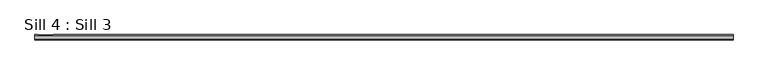
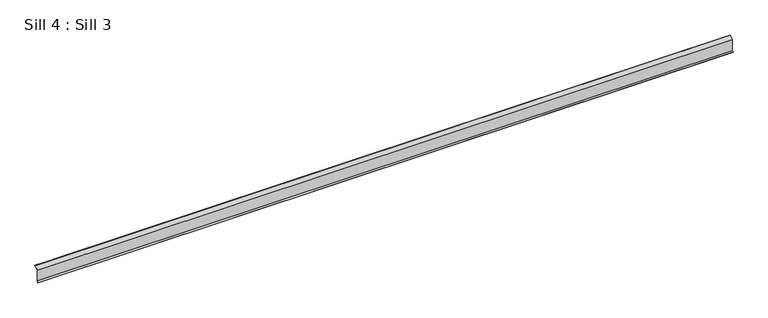
"""IFC4 building model written with IfcOpenShell, lengths in millimetres: proxy geometry, Sill 4 : Sill 3."""

import ifcopenshell
import ifcopenshell.guid

model = None  # the IFC model being written
_history = None  # IfcOwnerHistory: only IFC2X3 demands one
_inside = {}  # id of a spatial element -> (the spatial element, [elements in it])
_under = {}  # id of a project, library or spatial element -> (it, [spatial elements below it])
_declared = {}  # id of a project -> (the project, [libraries it declares])
_typed = {}  # id of a type object -> (the type object, [elements of that type])
_made_of = {}  # id of a material, layer set ... -> (it, [elements and type objects made of it])


def new_model(schema):
    """Start an empty IFC model of exactly this schema.

    Asked for "IFC4X3", IfcOpenShell would pick the latest addendum, in which some entities
    have other attributes; the version numbers below select the first issue.
    IFC2X3 requires an IfcOwnerHistory on every rooted entity: one is made here for all.
    """
    global model, _history
    if schema == "IFC4X3":
        model = ifcopenshell.file(schema_version=(4, 3, 0, 0))
    else:
        model = ifcopenshell.file(schema=schema)
    _inside.clear()
    _under.clear()
    _declared.clear()
    _typed.clear()
    _made_of.clear()
    _history = None
    if model.schema == "IFC2X3":
        org = make("IfcOrganization", Name="unknown")
        user = make(
            "IfcPersonAndOrganization",
            ThePerson=make("IfcPerson", FamilyName="unknown"),
            TheOrganization=org,
        )
        app = make(
            "IfcApplication",
            ApplicationDeveloper=org,
            Version="unknown",
            ApplicationFullName="unknown",
            ApplicationIdentifier="unknown",
        )
        _history = make(
            "IfcOwnerHistory",
            OwningUser=user,
            OwningApplication=app,
            ChangeAction="ADDED",
            CreationDate=0,
        )
    return model


def make(cls, **values):
    """One entity of the class cls with the attributes given. An attribute that is None is left unset."""
    return model.create_entity(
        cls, **{name: value for name, value in values.items() if value is not None}
    )


def rooted(cls, **values):
    """An entity with a GlobalId (a new one), such as an element, a storey or a relation."""
    return make(cls, GlobalId=ifcopenshell.guid.new(), OwnerHistory=_history, **values)


def si_unit(unit_type, name, prefix=None):
    """IfcSIUnit, for example si_unit("LENGTHUNIT", "METRE", prefix="MILLI")."""
    return make("IfcSIUnit", UnitType=unit_type, Prefix=prefix, Name=name)


def assignment(units):
    """IfcUnitAssignment: the units of a project."""
    return None if units is None else make("IfcUnitAssignment", Units=units)


def point(xyz):
    """IfcCartesianPoint."""
    return None if xyz is None else make("IfcCartesianPoint", Coordinates=xyz)


def direction(xyz):
    """IfcDirection."""
    return None if xyz is None else make("IfcDirection", DirectionRatios=xyz)


def frame(location, z_axis=None, x_axis=None):
    """IfcAxis2Placement3D, a coordinate frame: its origin and axes. An axis left out is left unset."""
    return make(
        "IfcAxis2Placement3D",
        Location=point(location),
        Axis=direction(z_axis),
        RefDirection=direction(x_axis),
    )


def origin():
    """The frame at (0, 0, 0) with its axes left unset."""
    return frame((0.0, 0.0, 0.0))


def place(relative_to, where):
    """IfcLocalPlacement: puts the frame where relative to a parent placement (None: the world)."""
    return make(
        "IfcLocalPlacement", PlacementRelTo=relative_to, RelativePlacement=where
    )


def context(
    kind, dimensions, precision=None, world=None, true_north=None, identifier=None
):
    """IfcGeometricRepresentationContext, for example the 3D "Model" context."""
    return make(
        "IfcGeometricRepresentationContext",
        ContextIdentifier=identifier,
        ContextType=kind,
        CoordinateSpaceDimension=dimensions,
        Precision=precision,
        WorldCoordinateSystem=world,
        TrueNorth=true_north,
    )


def project(units=None, contexts=None):
    """IfcProject with its units and contexts."""
    return rooted(
        "IfcProject",
        Name="project",
        RepresentationContexts=contexts,
        UnitsInContext=assignment(units),
    )


def spatial(cls, under=None, at=None, **own):
    """A site, building, storey or space (cls), placed at a placement, below another one or the project."""
    s = rooted(cls, ObjectPlacement=at, **own)
    if under is not None:
        _under.setdefault(under.id(), (under, []))[1].append(s)
    return s


def faces_of(points, faces, orient=None, outer=None):
    """IfcFace entities. A face is a list of loops; a loop is a list of indices into points, from 0.

    orient and outer hold one flag for each loop. By default every Orientation is true, the
    first loop of a face is its IfcFaceOuterBound and the others are IfcFaceBound.
    """
    made = []
    for i, loops in enumerate(faces):
        bounds = []
        for j, loop in enumerate(loops):
            is_outer = j == 0 if outer is None else outer[i][j]
            bounds.append(
                make(
                    "IfcFaceOuterBound" if is_outer else "IfcFaceBound",
                    Bound=make("IfcPolyLoop", Polygon=[points[k] for k in loop]),
                    Orientation=True if orient is None else orient[i][j],
                )
            )
        made.append(make("IfcFace", Bounds=bounds))
    return made


def faceted_brep(points, faces, orient=None, outer=None, voids=None):
    """IfcFacetedBrep: a solid bounded by flat faces; with voids (closed shells), ...WithVoids."""
    shared = [point(p) for p in points]
    hull = make("IfcClosedShell", CfsFaces=faces_of(shared, faces, orient, outer))
    if voids is None:
        return make("IfcFacetedBrep", Outer=hull)
    return make(
        "IfcFacetedBrepWithVoids",
        Outer=hull,
        Voids=[
            make(cls, CfsFaces=faces_of(shared, fs, o, b)) for cls, fs, o, b in voids
        ],
    )


def shape(context_of_items, identifier, shape_type, items):
    """IfcShapeRepresentation: the items that make up one representation, for example the "Body"."""
    return make(
        "IfcShapeRepresentation",
        ContextOfItems=context_of_items,
        RepresentationIdentifier=identifier,
        RepresentationType=shape_type,
        Items=items,
    )


def source(mapping_origin, context_of_items, identifier, shape_type, items):
    """IfcRepresentationMap: a shape defined once, which mapped items show again and again."""
    return make(
        "IfcRepresentationMap",
        MappingOrigin=mapping_origin,
        MappedRepresentation=shape(context_of_items, identifier, shape_type, items),
    )


def transform(
    local_origin,
    x_axis=None,
    y_axis=None,
    z_axis=None,
    scale=None,
    scale2=None,
    scale3=None,
    uniform=True,
):
    """IfcCartesianTransformationOperator3D, or its non-uniform kind. x_axis, y_axis, z_axis: its Axis1, 2, 3."""
    if uniform:
        return make(
            "IfcCartesianTransformationOperator3D",
            Axis1=direction(x_axis),
            Axis2=direction(y_axis),
            LocalOrigin=point(local_origin),
            Scale=scale,
            Axis3=direction(z_axis),
        )
    return make(
        "IfcCartesianTransformationOperator3DnonUniform",
        Axis1=direction(x_axis),
        Axis2=direction(y_axis),
        LocalOrigin=point(local_origin),
        Scale=scale,
        Axis3=direction(z_axis),
        Scale2=scale2,
        Scale3=scale3,
    )


def mapped(mapping_source, mapping_target):
    """IfcMappedItem: shows the shape of a source again, moved by a transform."""
    return make(
        "IfcMappedItem", MappingSource=mapping_source, MappingTarget=mapping_target
    )


def made_of(thing, what):
    """Note that an element or type object is made of a material, layer set ...; save() writes the relation."""
    if what is not None:
        _made_of.setdefault(what.id(), (what, []))[1].append(thing)
    return thing


def element(
    cls,
    number,
    at=None,
    inside=None,
    cuts=None,
    type_object=None,
    material=None,
    context=None,
    identifier="Body",
    shape_type=None,
    held_by="IfcProductDefinitionShape",
    body=None,
    shapes=None,
    **own,
):
    """One element of the class cls, such as IfcWall. Its Tag is "e" and its number.

    at: its placement. inside: the storey or other place that contains it. cuts: it is an
    opening in that element (IfcRelVoidsElement). A single representation is given by context,
    identifier, shape_type and body (its items); several are given by shapes. held_by: the class
    of the entity that holds the representations. save() writes the other relations.
    """
    e = rooted(cls, Tag="e%d" % number, ObjectPlacement=at, **own)
    if body is not None:
        shapes = [shape(context, identifier, shape_type, body)]
    if shapes is not None:
        e.Representation = make(held_by, Representations=shapes)
    if inside is not None:
        _inside.setdefault(inside.id(), (inside, []))[1].append(e)
    if cuts is not None:
        rooted(
            "IfcRelVoidsElement", RelatingBuildingElement=cuts, RelatedOpeningElement=e
        )
    if type_object is not None:
        _typed.setdefault(type_object.id(), (type_object, []))[1].append(e)
    return made_of(e, material)


def aggregate(whole, parts):
    """IfcRelAggregates: a whole, such as a stair, and the parts it consists of."""
    return rooted("IfcRelAggregates", RelatingObject=whole, RelatedObjects=parts)


def save(model, path):
    """Write the relations noted so far, then the file.

    IfcRelAggregates (storeys below a building ...), IfcRelContainedInSpatialStructure (elements
    in a storey), IfcRelDefinesByType, IfcRelAssociatesMaterial and IfcRelDeclares: one each for
    every whole, place, type object, material and project.
    """
    for whole, parts in _under.values():
        aggregate(whole, parts)
    for where, things in _inside.values():
        rooted(
            "IfcRelContainedInSpatialStructure",
            RelatedElements=things,
            RelatingStructure=where,
        )
    for kind, things in _typed.values():
        rooted("IfcRelDefinesByType", RelatedObjects=things, RelatingType=kind)
    for what, things in _made_of.values():
        rooted("IfcRelAssociatesMaterial", RelatedObjects=things, RelatingMaterial=what)
    for by, libraries in _declared.values():
        rooted("IfcRelDeclares", RelatingContext=by, RelatedDefinitions=libraries)
    model.write(path)


def sill_4_sill_3_6239287f(model_context):
    return source(origin(), model_context, "Body", "Brep", [
        faceted_brep([(-5138.1633868, 333.5622728, 752.7525091), (-5138.1633868, 333.5622728, 831.277921), (-5138.1633868, 357.4169607, 850.3395612), (-5138.1633868, 362.4635303, 848.987337), (-5138.1633868, 362.0551129, 847.4631024), (-5138.1633868, 357.8405623, 848.5923879), (-5138.1633868, 335.1297252, 830.4447681), (-5138.1633868, 335.1297252, 752.097207), (-5138.1633868, 326.1620975, 743.1295793), (-5138.1633868, 325.0507203, 744.2409566), (-295.6512864, 357.4169607, 850.3395612), (-295.6512864, 333.5622728, 831.277921), (-295.6512864, 333.5622728, 752.7525091), (-295.6512864, 325.0507203, 744.2409566), (-295.6512864, 326.1620975, 743.1295793), (-295.6512864, 335.1297252, 752.097207), (-295.6512864, 335.1297252, 830.4447681), (-295.6512864, 357.8405623, 848.5923879), (-295.6512864, 362.0551129, 847.4631024), (-295.6512864, 362.4635303, 848.987337), (-5117.4847818, 362.0551129, 847.4631024), (-5117.4847818, 358.4763989, 848.422016), (-5010.5881444, 358.4763989, 848.422016), (-5010.5881444, 362.0551129, 847.4631024), (-5117.4847818, 362.4635303, 848.987337), (-5010.5881444, 362.4635303, 848.987337), (-5010.5881444, 358.8848163, 849.9462505), (-5117.4847818, 358.8848163, 849.9462505)], [[[0, 1, 2, 3, 4, 5, 6, 7, 8, 9]], [[10, 11, 12, 13, 14, 15, 16, 17, 18, 19]], [[1, 0, 12, 11]], [[0, 9, 13, 12]], [[9, 8, 14, 13]], [[8, 7, 15, 14]], [[7, 6, 16, 15]], [[6, 5, 17, 16]], [[5, 4, 20, 21, 22, 23, 18, 17]], [[4, 3, 24, 20]], [[3, 2, 10, 19, 25, 26, 27, 24]], [[2, 1, 11, 10]], [[22, 26, 25, 23]], [[26, 22, 21, 27]], [[27, 21, 20, 24]], [[19, 18, 23, 25]]]),
    ])


if __name__ == "__main__":
    model = new_model("IFC4")
    model_context = context("Model", 3, world=origin())
    ifc_project = project(units=[si_unit("LENGTHUNIT", "METRE", prefix="MILLI")], contexts=[model_context])
    site = spatial("IfcSite", under=ifc_project)
    building = spatial("IfcBuilding", under=site)
    placement = place(None, origin())
    sill_4_sill_3_shape = sill_4_sill_3_6239287f(model_context)
    element("IfcBuildingElementProxy", 1, Name="Sill 4 : Sill 3", ObjectType="Sill 4 : Sill 3", at=placement, inside=building, context=model_context, shape_type="MappedRepresentation", body=[
        mapped(sill_4_sill_3_shape, transform((0.0, 0.0, 0.0), x_axis=(1.0, 0.0, 0.0), y_axis=(0.0, 1.0, 0.0), z_axis=(0.0, 0.0, 1.0))),
    ])
    save(model, "model.ifc")
